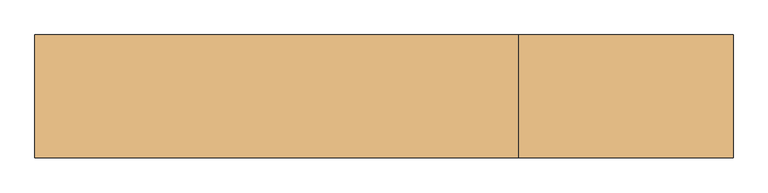
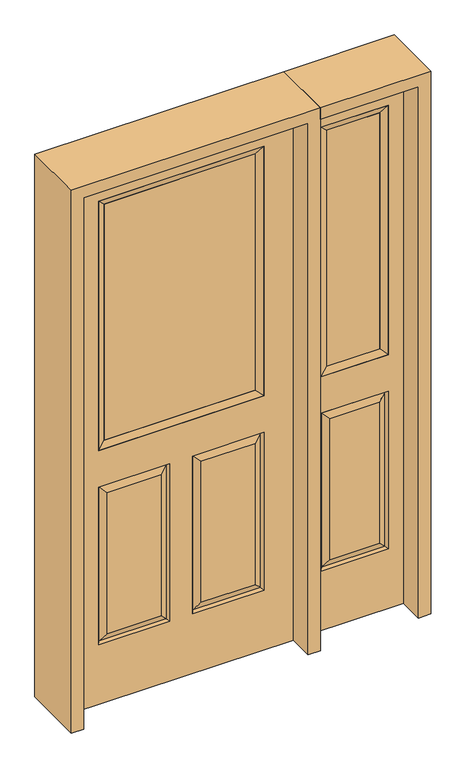
"""IFC4 building model written with IfcOpenShell, lengths in millimetres: door geometry."""

from ifc_helpers import new_model, si_unit, frame, origin, place, context, project, spatial, polyline, outline, extrude, faceted_brep, source, transform, mapped, element, save


def door_a9e0407a(model_context):
    return source(origin(), model_context, "Body", "SolidModel", [
        faceted_brep([(-406.4, -22.225, 0.0), (406.4, -22.225, 0.0), (406.4, -22.225, 2032.0), (-406.4, -22.225, 2032.0), (-299.339, -22.225, 971.55), (-299.339, -22.225, 1925.574), (299.339, -22.225, 1925.574), (299.339, -22.225, 971.55), (-299.339, -22.225, 831.85), (-41.275, -22.225, 831.85), (-41.275, -22.225, 228.6), (-299.339, -22.225, 228.6), (41.275, -22.225, 831.85), (299.339, -22.225, 831.85), (299.339, -22.225, 228.6), (41.275, -22.225, 228.6), (-73.025, -22.225, 800.1), (-267.589, -22.225, 800.1), (-267.589, -22.225, 260.35), (-73.025, -22.225, 260.35), (267.589, -22.225, 800.1), (73.025, -22.225, 800.1), (73.025, -22.225, 260.35), (267.589, -22.225, 260.35), (-406.4, 22.225, 0.0), (406.4, 22.225, 0.0), (406.4, 22.225, 2032.0), (-406.4, 22.225, 2032.0), (-299.339, 22.225, 971.55), (-299.339, 22.225, 1925.574), (299.339, 22.225, 1925.574), (299.339, 22.225, 971.55), (-41.275, 22.225, 831.85), (-299.339, 22.225, 831.85), (-299.339, 22.225, 228.6), (-41.275, 22.225, 228.6), (299.339, 22.225, 831.85), (41.275, 22.225, 831.85), (41.275, 22.225, 228.6), (299.339, 22.225, 228.6), (-267.589, 22.225, 800.1), (-73.025, 22.225, 800.1), (-73.025, 22.225, 260.35), (-267.589, 22.225, 260.35), (73.025, 22.225, 800.1), (267.589, 22.225, 800.1), (267.589, 22.225, 260.35), (73.025, 22.225, 260.35), (-48.41875, -12.7449236, 824.70625), (-292.19525, -12.7449236, 824.70625), (-292.19525, -12.7449236, 235.74375), (-48.41875, -12.7449236, 235.74375), (292.19525, -12.7449236, 824.70625), (48.41875, -12.7449236, 824.70625), (48.41875, -12.7449236, 235.74375), (292.19525, -12.7449236, 235.74375), (-292.19525, 12.7449236, 824.70625), (-48.41875, 12.7449236, 824.70625), (-48.41875, 12.7449236, 235.74375), (-292.19525, 12.7449236, 235.74375), (48.41875, 12.7449236, 824.70625), (292.19525, 12.7449236, 824.70625), (292.19525, 12.7449236, 235.74375), (48.41875, 12.7449236, 235.74375)], [[[0, 1, 2, 3], [4, 5, 6, 7], [8, 9, 10, 11], [12, 13, 14, 15]], [[16, 17, 18, 19]], [[20, 21, 22, 23]], [[1, 0, 24, 25]], [[2, 1, 25, 26]], [[0, 3, 27, 24]], [[5, 4, 28, 29]], [[7, 6, 30, 31]], [[4, 7, 31, 28]], [[24, 27, 26, 25], [28, 31, 30, 29], [32, 33, 34, 35], [36, 37, 38, 39]], [[40, 41, 42, 43]], [[44, 45, 46, 47]], [[3, 2, 26, 27]], [[6, 5, 29, 30]], [[16, 48, 49, 17]], [[17, 49, 50, 18]], [[51, 19, 18, 50]], [[48, 16, 19, 51]], [[49, 48, 9, 8]], [[9, 48, 51, 10]], [[10, 51, 50, 11]], [[49, 8, 11, 50]], [[52, 53, 21, 20]], [[21, 53, 54, 22]], [[22, 54, 55, 23]], [[52, 20, 23, 55]], [[53, 52, 13, 12]], [[13, 52, 55, 14]], [[54, 15, 14, 55]], [[53, 12, 15, 54]], [[56, 57, 41, 40]], [[41, 57, 58, 42]], [[42, 58, 59, 43]], [[56, 40, 43, 59]], [[57, 56, 33, 32]], [[33, 56, 59, 34]], [[58, 35, 34, 59]], [[57, 32, 35, 58]], [[44, 60, 61, 45]], [[45, 61, 62, 46]], [[63, 47, 46, 62]], [[60, 44, 47, 63]], [[61, 60, 37, 36]], [[37, 60, 63, 38]], [[38, 63, 62, 39]], [[61, 36, 39, 62]]]),
        extrude(outline(polyline([(273.939, -12.7), (-273.939, -12.7), (-273.939, 12.7), (273.939, 12.7), (273.939, -12.7)])), frame((0.0, 0.0, 996.95), z_axis=(0.0, 0.0, 1.0), x_axis=(1.0, 0.0, 0.0)), (0.0, 0.0, 1.0), 903.224),
        faceted_brep([(-299.339, -22.225, 1925.574), (-299.339, 22.225, 1925.574), (-299.339, 22.225, 971.55), (-299.339, -22.225, 971.55), (299.339, 22.225, 971.55), (299.339, -22.225, 971.55), (-273.939, 12.7, 996.95), (273.939, 12.7, 996.95), (299.339, 22.225, 1925.574), (299.339, -22.225, 1925.574), (-273.939, -12.7, 996.95), (273.939, -12.7, 996.95), (-273.939, -12.7, 1900.174), (273.939, -12.7, 1900.174), (-273.939, 12.7, 1900.174), (273.939, 12.7, 1900.174)], [[[0, 1, 2, 3]], [[3, 2, 4, 5]], [[2, 6, 7, 4]], [[5, 4, 8, 9]], [[10, 3, 5, 11]], [[12, 0, 3, 10]], [[11, 5, 9, 13]], [[6, 10, 11, 7]], [[14, 12, 10, 6]], [[7, 11, 13, 15]], [[1, 14, 6, 2]], [[4, 7, 15, 8]], [[9, 8, 1, 0]], [[13, 9, 0, 12]], [[15, 13, 12, 14]], [[8, 15, 14, 1]]]),
        faceted_brep([(806.45, -22.225, 0.0), (806.45, -22.225, 2032.0), (450.85, -22.225, 2032.0), (450.85, -22.225, 0.0), (507.238, -22.225, 1925.574), (750.062, -22.225, 1925.574), (750.062, -22.225, 971.55), (507.238, -22.225, 971.55), (507.238, -22.225, 228.6), (507.238, -22.225, 831.85), (750.062, -22.225, 831.85), (750.062, -22.225, 228.6), (718.1559872, -22.225, 260.5060128), (718.1559872, -22.225, 799.9439872), (539.1440128, -22.225, 799.9439872), (539.1440128, -22.225, 260.5060128), (450.85, 22.225, 0.0), (806.45, 22.225, 0.0), (450.85, 22.225, 2032.0), (806.45, 22.225, 2032.0), (507.238, 22.225, 971.55), (507.238, 22.225, 1925.574), (750.062, 22.225, 971.55), (750.062, 22.225, 1925.574), (750.062, 22.225, 228.6), (750.062, 22.225, 831.85), (507.238, 22.225, 831.85), (507.238, 22.225, 228.6), (539.1440128, 22.225, 260.5060128), (539.1440128, 22.225, 799.9439872), (718.1559872, 22.225, 799.9439872), (718.1559872, 22.225, 260.5060128), (743.1419933, -13.0418409, 235.5200067), (514.1580067, -13.0418409, 235.5200067), (743.1419933, -13.0418409, 824.9299933), (514.1580067, -13.0418409, 824.9299933), (743.1419933, 13.0418409, 235.5200067), (514.1580067, 13.0418409, 235.5200067), (514.1580067, 13.0418409, 824.9299933), (743.1419933, 13.0418409, 824.9299933)], [[[0, 1, 2, 3], [4, 5, 6, 7], [8, 9, 10, 11]], [[12, 13, 14, 15]], [[3, 16, 17, 0]], [[2, 18, 16, 3]], [[0, 17, 19, 1]], [[7, 20, 21, 4]], [[6, 22, 20, 7]], [[5, 23, 22, 6]], [[17, 16, 18, 19], [21, 20, 22, 23], [24, 25, 26, 27]], [[28, 29, 30, 31]], [[1, 19, 18, 2]], [[4, 21, 23, 5]], [[8, 11, 32, 33]], [[11, 10, 34, 32]], [[35, 34, 10, 9]], [[33, 35, 9, 8]], [[32, 12, 15, 33]], [[15, 14, 35, 33]], [[14, 13, 34, 35]], [[32, 34, 13, 12]], [[36, 24, 27, 37]], [[27, 26, 38, 37]], [[26, 25, 39, 38]], [[36, 39, 25, 24]], [[37, 28, 31, 36]], [[31, 30, 39, 36]], [[38, 39, 30, 29]], [[37, 38, 29, 28]]]),
        extrude(outline(polyline([(532.638, -12.7), (532.638, 12.7), (724.662, 12.7), (724.662, -12.7), (532.638, -12.7)])), frame((0.0, 0.0, 996.95), z_axis=(0.0, 0.0, 1.0), x_axis=(1.0, 0.0, 0.0)), (0.0, 0.0, 1.0), 903.224),
        faceted_brep([(750.062, -22.225, 1925.574), (750.062, -22.225, 971.55), (750.062, 22.225, 971.55), (750.062, 22.225, 1925.574), (507.238, -22.225, 971.55), (507.238, 22.225, 971.55), (532.638, 12.7, 996.95), (724.662, 12.7, 996.95), (507.238, -22.225, 1925.574), (507.238, 22.225, 1925.574), (724.662, -12.7, 996.95), (532.638, -12.7, 996.95), (724.662, -12.7, 1900.174), (532.638, -12.7, 1900.174), (724.662, 12.7, 1900.174), (532.638, 12.7, 1900.174)], [[[0, 1, 2, 3]], [[1, 4, 5, 2]], [[2, 5, 6, 7]], [[4, 8, 9, 5]], [[10, 11, 4, 1]], [[12, 10, 1, 0]], [[11, 13, 8, 4]], [[7, 6, 11, 10]], [[14, 7, 10, 12]], [[6, 15, 13, 11]], [[3, 2, 7, 14]], [[5, 9, 15, 6]], [[8, 0, 3, 9]], [[13, 12, 0, 8]], [[15, 14, 12, 13]], [[9, 3, 14, 15]]]),
        extrude(outline(polyline([(2076.45, 450.85), (2032.0, 450.85), (2032.0, 806.45), (0.0, 806.45), (0.0, 850.9), (2076.45, 850.9), (2076.45, 450.85)])), frame((0.0, -114.3, 0.0), z_axis=(0.0, 1.0, 0.0), x_axis=(0.0, 0.0, 1.0)), (0.0, 0.0, 1.0), 228.6),
        extrude(outline(polyline([(0.0, -450.85), (0.0, -406.4), (2032.0, -406.4), (2032.0, 406.4), (0.0, 406.4), (0.0, 450.85), (2076.45, 450.85), (2076.45, -450.85), (0.0, -450.85)])), frame((0.0, -114.3, 0.0), z_axis=(0.0, 1.0, 0.0), x_axis=(0.0, 0.0, 1.0)), (0.0, 0.0, 1.0), 228.6),
    ])


if __name__ == "__main__":
    model = new_model("IFC4")
    model_context = context("Model", 3, world=origin())
    ifc_project = project(units=[si_unit("LENGTHUNIT", "METRE", prefix="MILLI")], contexts=[model_context])
    site = spatial("IfcSite", under=ifc_project)
    building = spatial("IfcBuilding", under=site)
    placement = place(None, origin())
    door_shape = door_a9e0407a(model_context)
    element("IfcDoor", 1, at=placement, inside=building, context=model_context, shape_type="MappedRepresentation", body=[
        mapped(door_shape, transform((0.0, 0.0, 0.0), x_axis=(1.0, 0.0, 0.0), y_axis=(0.0, 1.0, 0.0), z_axis=(0.0, 0.0, 1.0))),
    ])
    save(model, "model.ifc")
